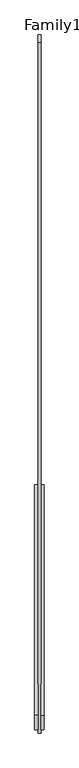
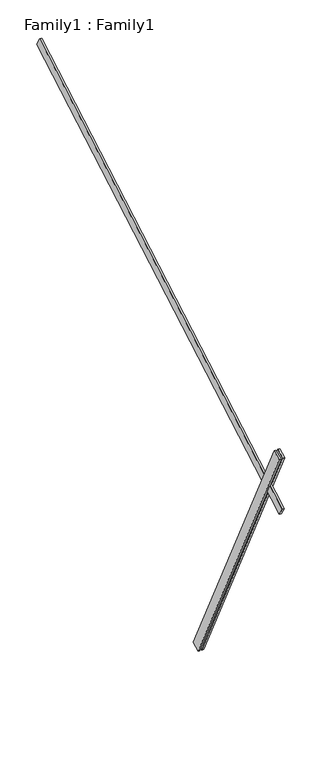
"""IFC4 building model written with IfcOpenShell, lengths in millimetres: proxy geometry, Family1 : Family1."""

import ifcopenshell
import ifcopenshell.guid

model = None  # the IFC model being written
_history = None  # IfcOwnerHistory: only IFC2X3 demands one
_inside = {}  # id of a spatial element -> (the spatial element, [elements in it])
_under = {}  # id of a project, library or spatial element -> (it, [spatial elements below it])
_declared = {}  # id of a project -> (the project, [libraries it declares])
_typed = {}  # id of a type object -> (the type object, [elements of that type])
_made_of = {}  # id of a material, layer set ... -> (it, [elements and type objects made of it])


def new_model(schema):
    """Start an empty IFC model of exactly this schema.

    Asked for "IFC4X3", IfcOpenShell would pick the latest addendum, in which some entities
    have other attributes; the version numbers below select the first issue.
    IFC2X3 requires an IfcOwnerHistory on every rooted entity: one is made here for all.
    """
    global model, _history
    if schema == "IFC4X3":
        model = ifcopenshell.file(schema_version=(4, 3, 0, 0))
    else:
        model = ifcopenshell.file(schema=schema)
    _inside.clear()
    _under.clear()
    _declared.clear()
    _typed.clear()
    _made_of.clear()
    _history = None
    if model.schema == "IFC2X3":
        org = make("IfcOrganization", Name="unknown")
        user = make(
            "IfcPersonAndOrganization",
            ThePerson=make("IfcPerson", FamilyName="unknown"),
            TheOrganization=org,
        )
        app = make(
            "IfcApplication",
            ApplicationDeveloper=org,
            Version="unknown",
            ApplicationFullName="unknown",
            ApplicationIdentifier="unknown",
        )
        _history = make(
            "IfcOwnerHistory",
            OwningUser=user,
            OwningApplication=app,
            ChangeAction="ADDED",
            CreationDate=0,
        )
    return model


def make(cls, **values):
    """One entity of the class cls with the attributes given. An attribute that is None is left unset."""
    return model.create_entity(
        cls, **{name: value for name, value in values.items() if value is not None}
    )


def rooted(cls, **values):
    """An entity with a GlobalId (a new one), such as an element, a storey or a relation."""
    return make(cls, GlobalId=ifcopenshell.guid.new(), OwnerHistory=_history, **values)


def si_unit(unit_type, name, prefix=None):
    """IfcSIUnit, for example si_unit("LENGTHUNIT", "METRE", prefix="MILLI")."""
    return make("IfcSIUnit", UnitType=unit_type, Prefix=prefix, Name=name)


def assignment(units):
    """IfcUnitAssignment: the units of a project."""
    return None if units is None else make("IfcUnitAssignment", Units=units)


def point(xyz):
    """IfcCartesianPoint."""
    return None if xyz is None else make("IfcCartesianPoint", Coordinates=xyz)


def direction(xyz):
    """IfcDirection."""
    return None if xyz is None else make("IfcDirection", DirectionRatios=xyz)


def frame(location, z_axis=None, x_axis=None):
    """IfcAxis2Placement3D, a coordinate frame: its origin and axes. An axis left out is left unset."""
    return make(
        "IfcAxis2Placement3D",
        Location=point(location),
        Axis=direction(z_axis),
        RefDirection=direction(x_axis),
    )


def origin():
    """The frame at (0, 0, 0) with its axes left unset."""
    return frame((0.0, 0.0, 0.0))


def place(relative_to, where):
    """IfcLocalPlacement: puts the frame where relative to a parent placement (None: the world)."""
    return make(
        "IfcLocalPlacement", PlacementRelTo=relative_to, RelativePlacement=where
    )


def context(
    kind, dimensions, precision=None, world=None, true_north=None, identifier=None
):
    """IfcGeometricRepresentationContext, for example the 3D "Model" context."""
    return make(
        "IfcGeometricRepresentationContext",
        ContextIdentifier=identifier,
        ContextType=kind,
        CoordinateSpaceDimension=dimensions,
        Precision=precision,
        WorldCoordinateSystem=world,
        TrueNorth=true_north,
    )


def project(units=None, contexts=None):
    """IfcProject with its units and contexts."""
    return rooted(
        "IfcProject",
        Name="project",
        RepresentationContexts=contexts,
        UnitsInContext=assignment(units),
    )


def spatial(cls, under=None, at=None, **own):
    """A site, building, storey or space (cls), placed at a placement, below another one or the project."""
    s = rooted(cls, ObjectPlacement=at, **own)
    if under is not None:
        _under.setdefault(under.id(), (under, []))[1].append(s)
    return s


def polyline(points):
    """IfcPolyline through the points."""
    return make("IfcPolyline", Points=[point(p) for p in points])


def outline(outer, holes=None, kind="AREA"):
    """IfcArbitraryClosedProfileDef: a profile drawn as a closed curve; with holes, ...WithVoids."""
    if holes is None:
        return make("IfcArbitraryClosedProfileDef", ProfileType=kind, OuterCurve=outer)
    return make(
        "IfcArbitraryProfileDefWithVoids",
        ProfileType=kind,
        OuterCurve=outer,
        InnerCurves=holes,
    )


def extrude(swept, where, along, depth):
    """IfcExtrudedAreaSolid: the profile swept, set in the frame where, extruded along a direction by depth."""
    return make(
        "IfcExtrudedAreaSolid",
        SweptArea=swept,
        Position=where,
        ExtrudedDirection=direction(along),
        Depth=depth,
    )


def shape(context_of_items, identifier, shape_type, items):
    """IfcShapeRepresentation: the items that make up one representation, for example the "Body"."""
    return make(
        "IfcShapeRepresentation",
        ContextOfItems=context_of_items,
        RepresentationIdentifier=identifier,
        RepresentationType=shape_type,
        Items=items,
    )


def source(mapping_origin, context_of_items, identifier, shape_type, items):
    """IfcRepresentationMap: a shape defined once, which mapped items show again and again."""
    return make(
        "IfcRepresentationMap",
        MappingOrigin=mapping_origin,
        MappedRepresentation=shape(context_of_items, identifier, shape_type, items),
    )


def transform(
    local_origin,
    x_axis=None,
    y_axis=None,
    z_axis=None,
    scale=None,
    scale2=None,
    scale3=None,
    uniform=True,
):
    """IfcCartesianTransformationOperator3D, or its non-uniform kind. x_axis, y_axis, z_axis: its Axis1, 2, 3."""
    if uniform:
        return make(
            "IfcCartesianTransformationOperator3D",
            Axis1=direction(x_axis),
            Axis2=direction(y_axis),
            LocalOrigin=point(local_origin),
            Scale=scale,
            Axis3=direction(z_axis),
        )
    return make(
        "IfcCartesianTransformationOperator3DnonUniform",
        Axis1=direction(x_axis),
        Axis2=direction(y_axis),
        LocalOrigin=point(local_origin),
        Scale=scale,
        Axis3=direction(z_axis),
        Scale2=scale2,
        Scale3=scale3,
    )


def mapped(mapping_source, mapping_target):
    """IfcMappedItem: shows the shape of a source again, moved by a transform."""
    return make(
        "IfcMappedItem", MappingSource=mapping_source, MappingTarget=mapping_target
    )


def made_of(thing, what):
    """Note that an element or type object is made of a material, layer set ...; save() writes the relation."""
    if what is not None:
        _made_of.setdefault(what.id(), (what, []))[1].append(thing)
    return thing


def element(
    cls,
    number,
    at=None,
    inside=None,
    cuts=None,
    type_object=None,
    material=None,
    context=None,
    identifier="Body",
    shape_type=None,
    held_by="IfcProductDefinitionShape",
    body=None,
    shapes=None,
    **own,
):
    """One element of the class cls, such as IfcWall. Its Tag is "e" and its number.

    at: its placement. inside: the storey or other place that contains it. cuts: it is an
    opening in that element (IfcRelVoidsElement). A single representation is given by context,
    identifier, shape_type and body (its items); several are given by shapes. held_by: the class
    of the entity that holds the representations. save() writes the other relations.
    """
    e = rooted(cls, Tag="e%d" % number, ObjectPlacement=at, **own)
    if body is not None:
        shapes = [shape(context, identifier, shape_type, body)]
    if shapes is not None:
        e.Representation = make(held_by, Representations=shapes)
    if inside is not None:
        _inside.setdefault(inside.id(), (inside, []))[1].append(e)
    if cuts is not None:
        rooted(
            "IfcRelVoidsElement", RelatingBuildingElement=cuts, RelatedOpeningElement=e
        )
    if type_object is not None:
        _typed.setdefault(type_object.id(), (type_object, []))[1].append(e)
    return made_of(e, material)


def aggregate(whole, parts):
    """IfcRelAggregates: a whole, such as a stair, and the parts it consists of."""
    return rooted("IfcRelAggregates", RelatingObject=whole, RelatedObjects=parts)


def save(model, path):
    """Write the relations noted so far, then the file.

    IfcRelAggregates (storeys below a building ...), IfcRelContainedInSpatialStructure (elements
    in a storey), IfcRelDefinesByType, IfcRelAssociatesMaterial and IfcRelDeclares: one each for
    every whole, place, type object, material and project.
    """
    for whole, parts in _under.values():
        aggregate(whole, parts)
    for where, things in _inside.values():
        rooted(
            "IfcRelContainedInSpatialStructure",
            RelatedElements=things,
            RelatingStructure=where,
        )
    for kind, things in _typed.values():
        rooted("IfcRelDefinesByType", RelatedObjects=things, RelatingType=kind)
    for what, things in _made_of.values():
        rooted("IfcRelAssociatesMaterial", RelatedObjects=things, RelatingMaterial=what)
    for by, libraries in _declared.values():
        rooted("IfcRelDeclares", RelatingContext=by, RelatedDefinitions=libraries)
    model.write(path)


def family1_family1_d6e276fa(model_context):
    return source(origin(), model_context, "Body", "SweptSolid", [
        extrude(outline(polyline([(0.0, 0.0), (-100.0000001, 0.0), (-100.0000001, 20.0), (0.0, 20.0), (0.0, 0.0)])), frame((-30.0, -46.3241747, -22.5938096), z_axis=(0.0, -0.4383711467890692, 0.8987940462991711), x_axis=(0.0, -0.8987940462991711, -0.4383711467890692)), (0.0, 0.0, 1.0), 3300.0),
        extrude(outline(polyline([(0.0, 0.0), (-99.9999999, 0.0), (-99.9999999, 20.0), (0.0, 20.0), (0.0, 0.0)])), frame((10.0, -45.270232, -22.0797674), z_axis=(0.0, -0.4383711467890692, 0.8987940462991711), x_axis=(0.0, -0.8987940462991711, -0.4383711467890692)), (0.0, 0.0, 1.0), 3300.0),
        extrude(outline(polyline([(0.0, 20.0), (5000.0000001, 20.0), (5000.0000001, 0.0), (0.0, 0.0), (0.0, 20.0)])), frame((-10.0, 2866.3754281, 4822.4532866), z_axis=(0.0, -0.5000000000000019, 0.8660254037844377), x_axis=(0.0, -0.8660254037844377, -0.5000000000000019)), (0.0, 0.0, 1.0), 100.0),
    ])


if __name__ == "__main__":
    model = new_model("IFC4")
    model_context = context("Model", 3, world=origin())
    ifc_project = project(units=[si_unit("LENGTHUNIT", "METRE", prefix="MILLI")], contexts=[model_context])
    site = spatial("IfcSite", under=ifc_project)
    building = spatial("IfcBuilding", under=site)
    placement = place(None, origin())
    family1_family1_shape = family1_family1_d6e276fa(model_context)
    element("IfcBuildingElementProxy", 1, Name="Family1 : Family1", ObjectType="Family1 : Family1", at=placement, inside=building, context=model_context, shape_type="MappedRepresentation", body=[
        mapped(family1_family1_shape, transform((0.0, 0.0, 0.0), x_axis=(1.0, 0.0, 0.0), y_axis=(0.0, 1.0, 0.0), z_axis=(0.0, 0.0, 1.0))),
    ])
    save(model, "model.ifc")
